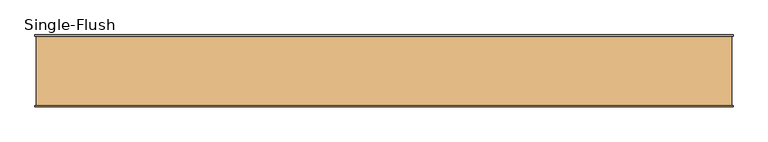
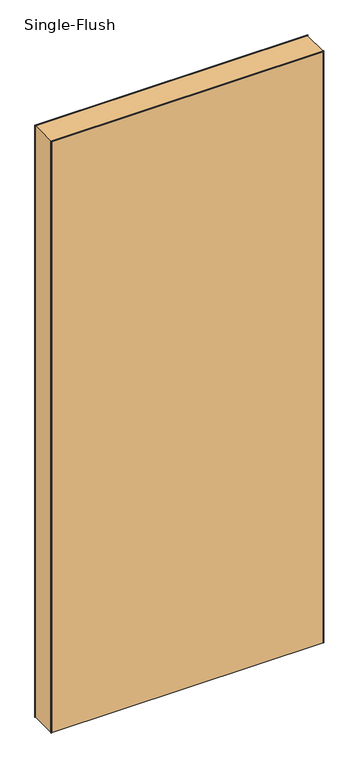
"""IFC4 building model written with IfcOpenShell, lengths in millimetres: door geometry, Single-Flush."""

from ifc_helpers import new_model, si_unit, frame, origin, origin_with_axes, place, context, project, spatial, polyline, outline, extrude, source, transform, mapped, element, save


def single_flush_c3ff5cd8(model_context):
    return source(origin(), model_context, "Body", "SweptSolid", [
        extrude(outline(polyline([(2301.5875, -501.5875), (0.0, -501.5875), (0.0, -500.0), (2300.0, -500.0), (2300.0, 500.0), (0.0, 500.0), (0.0, 501.5875), (2301.5875, 501.5875), (2301.5875, -501.5875)])), frame((0.0, 50.0, 0.0), z_axis=(0.0, 1.0, 0.0), x_axis=(0.0, 0.0, 1.0)), (0.0, 0.0, 1.0), 1.5875),
        extrude(outline(polyline([(2301.5875, 501.5875), (2301.5875, -501.5875), (0.0, -501.5875), (0.0, -500.0), (2300.0, -500.0), (2300.0, 500.0), (0.0, 500.0), (0.0, 501.5875), (2301.5875, 501.5875)])), frame((0.0, -51.5875, 0.0), z_axis=(0.0, 1.0, 0.0), x_axis=(0.0, 0.0, 1.0)), (0.0, 0.0, 1.0), 1.5875),
        extrude(outline(polyline([(500.0, -50.0), (-500.0, -50.0), (-500.0, 50.0), (500.0, 50.0), (500.0, -50.0)])), origin_with_axes(), (0.0, 0.0, 1.0), 2300.0),
    ])


if __name__ == "__main__":
    model = new_model("IFC4")
    model_context = context("Model", 3, world=origin())
    ifc_project = project(units=[si_unit("LENGTHUNIT", "METRE", prefix="MILLI")], contexts=[model_context])
    site = spatial("IfcSite", under=ifc_project)
    building = spatial("IfcBuilding", under=site)
    placement = place(None, origin())
    single_flush_shape = single_flush_c3ff5cd8(model_context)
    element("IfcDoor", 1, ObjectType="Single-Flush", at=placement, inside=building, context=model_context, shape_type="MappedRepresentation", body=[
        mapped(single_flush_shape, transform((0.0, 0.0, 0.0), x_axis=(1.0, 0.0, 0.0), y_axis=(0.0, 1.0, 0.0), z_axis=(0.0, 0.0, 1.0))),
    ])
    save(model, "model.ifc")
